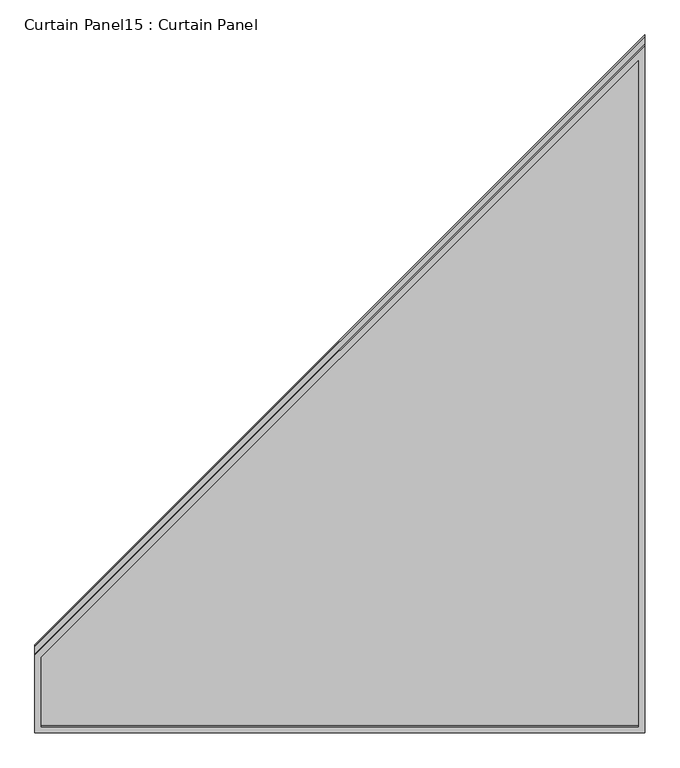
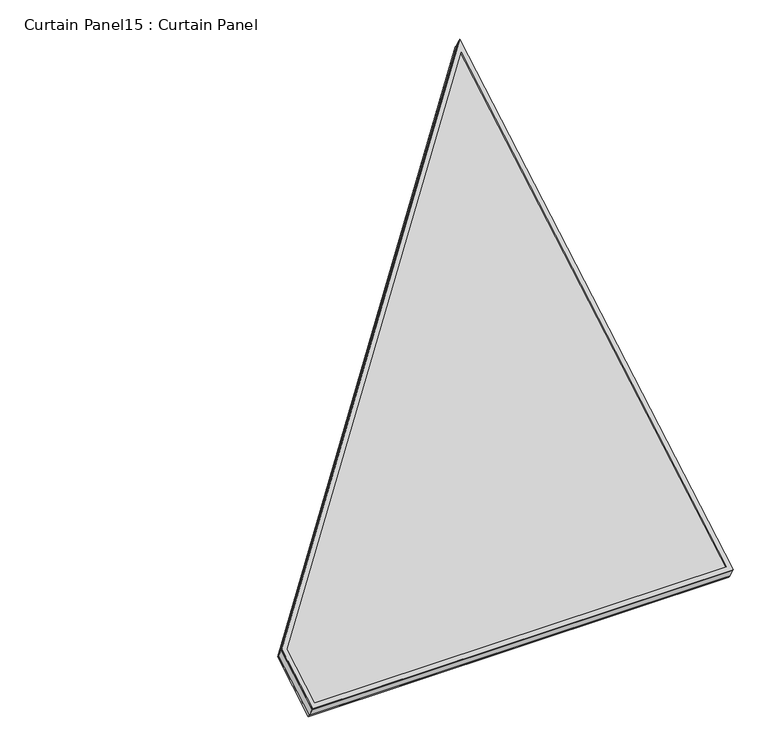
"""IFC4 building model written with IfcOpenShell, lengths in millimetres: plate geometry, Curtain Panel15 : Curtain Panel."""

from ifc_helpers import new_model, si_unit, frame, origin, place, context, project, spatial, polyline, outline, extrude, source, transform, mapped, element, save


def curtain_panel15_curtain_panel_c34a37d5(model_context):
    return source(origin(), model_context, "Body", "SweptSolid", [
        extrude(outline(polyline([(1540.3277362, -12.7), (-12.7, -12.7), (-12.7, 1181.1), (161.8462335, 1181.1), (1540.3277362, -12.7)]), holes=[polyline([(157.1113598, 1168.4), (0.0, 1168.4), (0.0, 0.0), (1506.2634688, 0.0), (157.1113598, 1168.4)])]), frame((-8359.7692107, 7128.9698705, 1292.2716499), z_axis=(0.0, -0.5000000000000022, 0.8660254037844374), x_axis=(0.0, 0.8660254037844374, 0.5000000000000022)), (0.0, 0.0, 1.0), 4.8005519),
        extrude(outline(polyline([(1540.3277361, -12.7), (-12.7000001, -12.7), (-12.7000001, 1181.1), (161.8462334, 1181.1), (1540.3277361, -12.7)]), holes=[polyline([(157.1113598, 1168.4), (0.0, 1168.4), (0.0, 0.0), (1506.2634688, 0.0), (157.1113598, 1168.4)])]), frame((-8359.7692107, 7147.3975946, 1260.3538956), z_axis=(0.0, -0.5000000000000024, 0.8660254037844373), x_axis=(0.0, 0.8660254037844373, 0.5000000000000024)), (0.0, 0.0, 1.0), 6.6929481),
        extrude(outline(polyline([(12.7, 0.0), (1206.5, 0.0), (1206.5, -174.5462334), (12.7, -1553.0277361), (12.7, 0.0)])), frame((-8334.3692107, 7133.0525979, 1259.8001587), z_axis=(0.0, -0.5000000000000002, 0.8660254037844386), x_axis=(-1.0, 0.0, 0.0)), (0.0, 0.0, 1.0), 30.1625),
    ])


if __name__ == "__main__":
    model = new_model("IFC4")
    model_context = context("Model", 3, world=origin())
    ifc_project = project(units=[si_unit("LENGTHUNIT", "METRE", prefix="MILLI")], contexts=[model_context])
    site = spatial("IfcSite", under=ifc_project)
    building = spatial("IfcBuilding", under=site)
    placement = place(None, origin())
    curtain_panel15_curtain_panel_shape = curtain_panel15_curtain_panel_c34a37d5(model_context)
    element("IfcPlate", 1, ObjectType="Curtain Panel15 : Curtain Panel", at=placement, inside=building, context=model_context, shape_type="MappedRepresentation", body=[
        mapped(curtain_panel15_curtain_panel_shape, transform((0.0, 0.0, 0.0), x_axis=(1.0, 0.0, 0.0), y_axis=(0.0, 1.0, 0.0), z_axis=(0.0, 0.0, 1.0))),
    ])
    save(model, "model.ifc")
